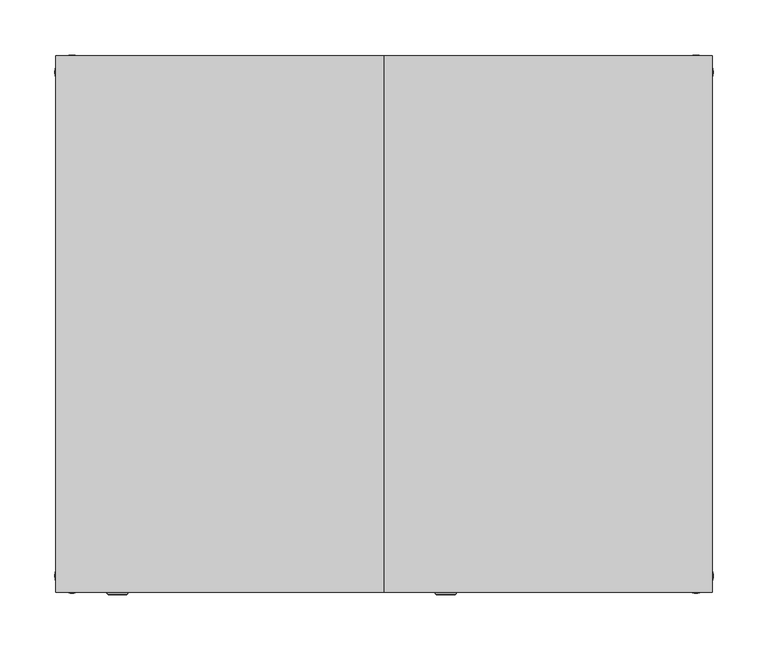
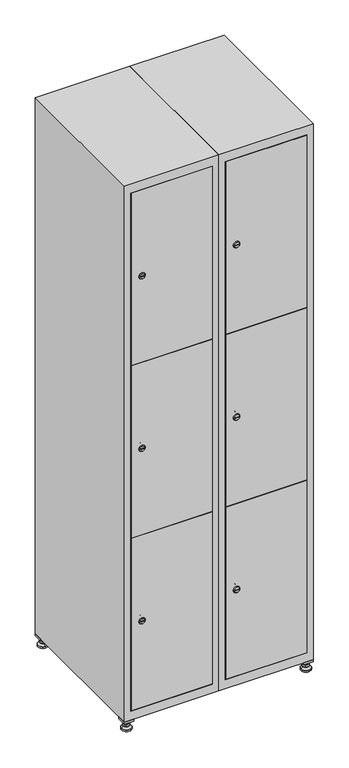
"""IFC4 building model written with IfcOpenShell, lengths in millimetres: furniture geometry."""

from ifc_helpers import new_model, si_unit, point, frame, frame_2d, origin, origin_with_axes, place, context, project, spatial, polyline, circle_curve, trimmed, segment, composite_curve, outline, extrude, faceted_brep, source, transform, mapped, element, save
from ifc_brep_helpers import plane_surface, revolved_surface, advanced_brep


def furniture_a26b1aab(model_context):
    return source(origin(), model_context, "Body", "SolidModel", [
        extrude(outline(polyline([(400.0, 245.0), (400.0, 215.0), (370.0, 215.0), (370.0, 245.0), (400.0, 245.0)]), holes=[polyline([(398.0, 243.0), (372.0, 243.0), (372.0, 217.0), (398.0, 217.0), (398.0, 243.0)])]), frame((0.0, 0.0, 28.5), z_axis=(0.0, 0.0, 1.0), x_axis=(1.0, 0.0, 0.0)), (0.0, 0.0, 1.0), 6.5),
        extrude(outline(polyline([(370.0, -245.0), (370.0, -215.0), (400.0, -215.0), (400.0, -245.0), (370.0, -245.0)]), holes=[polyline([(372.0, -243.0), (398.0, -243.0), (398.0, -217.0), (372.0, -217.0), (372.0, -243.0)])]), frame((0.0, 0.0, 28.5), z_axis=(0.0, 0.0, 1.0), x_axis=(1.0, 0.0, 0.0)), (0.0, 0.0, 1.0), 6.5),
        extrude(outline(polyline([(-170.0, 245.0), (-170.0, 215.0), (-200.0, 215.0), (-200.0, 245.0), (-170.0, 245.0)]), holes=[polyline([(-172.0, 243.0), (-198.0, 243.0), (-198.0, 217.0), (-172.0, 217.0), (-172.0, 243.0)])]), frame((0.0, 0.0, 28.5), z_axis=(0.0, 0.0, 1.0), x_axis=(1.0, 0.0, 0.0)), (0.0, 0.0, 1.0), 6.5),
        extrude(outline(polyline([(-170.0, -215.0), (-170.0, -245.0), (-200.0, -245.0), (-200.0, -215.0), (-170.0, -215.0)]), holes=[polyline([(-198.0, -243.0), (-172.0, -243.0), (-172.0, -217.0), (-198.0, -217.0), (-198.0, -243.0)])]), frame((0.0, 0.0, 28.5), z_axis=(0.0, 0.0, 1.0), x_axis=(1.0, 0.0, 0.0)), (0.0, 0.0, 1.0), 6.5),
        extrude(outline(composite_curve([segment(trimmed(circle_curve(frame_2d((-185.0, 230.0)), 5.0), [point((-180.0, 230.0))], [point((-190.0, 230.0))], False, "CARTESIAN"), True, "CONTINUOUS"), segment(trimmed(circle_curve(frame_2d((-185.0, 230.0)), 5.0), [point((-190.0, 230.0))], [point((-180.0, 230.0))], False, "CARTESIAN"), True, "CONTINUOUS")], self_intersect=False)), frame((0.0, 0.0, 19.6), z_axis=(0.0, 0.0, 1.0), x_axis=(1.0, 0.0, 0.0)), (0.0, 0.0, 1.0), 15.4),
        extrude(outline(composite_curve([segment(trimmed(circle_curve(frame_2d((-185.0, -230.0)), 5.0), [point((-180.0, -230.0))], [point((-190.0, -230.0))], False, "CARTESIAN"), True, "CONTINUOUS"), segment(trimmed(circle_curve(frame_2d((-185.0, -230.0)), 5.0), [point((-190.0, -230.0))], [point((-180.0, -230.0))], False, "CARTESIAN"), True, "CONTINUOUS")], self_intersect=False)), frame((0.0, 0.0, 19.6), z_axis=(0.0, 0.0, 1.0), x_axis=(1.0, 0.0, 0.0)), (0.0, 0.0, 1.0), 15.4),
        extrude(outline(composite_curve([segment(trimmed(circle_curve(frame_2d((385.0, 230.0)), 5.0), [point((390.0, 230.0))], [point((380.0, 230.0))], False, "CARTESIAN"), True, "CONTINUOUS"), segment(trimmed(circle_curve(frame_2d((385.0, 230.0)), 5.0), [point((380.0, 230.0))], [point((390.0, 230.0))], False, "CARTESIAN"), True, "CONTINUOUS")], self_intersect=False)), frame((0.0, 0.0, 19.6), z_axis=(0.0, 0.0, 1.0), x_axis=(1.0, 0.0, 0.0)), (0.0, 0.0, 1.0), 15.4),
        extrude(outline(polyline([(373.4529946, 230.0), (379.2264973, 240.0), (390.7735027, 240.0), (396.5470054, 230.0), (390.7735027, 220.0), (379.2264973, 220.0), (373.4529946, 230.0)])), frame((0.0, 0.0, 13.6), z_axis=(0.0, 0.0, 1.0), x_axis=(1.0, 0.0, 0.0)), (0.0, 0.0, 1.0), 6.0),
        extrude(outline(composite_curve([segment(trimmed(circle_curve(frame_2d((385.0, -230.0)), 5.0), [point((390.0, -230.0))], [point((380.0, -230.0))], False, "CARTESIAN"), True, "CONTINUOUS"), segment(trimmed(circle_curve(frame_2d((385.0, -230.0)), 5.0), [point((380.0, -230.0))], [point((390.0, -230.0))], False, "CARTESIAN"), True, "CONTINUOUS")], self_intersect=False)), frame((0.0, 0.0, 19.6), z_axis=(0.0, 0.0, 1.0), x_axis=(1.0, 0.0, 0.0)), (0.0, 0.0, 1.0), 15.4),
        extrude(outline(polyline([(373.4529946, -230.0), (379.2264973, -220.0), (390.7735027, -220.0), (396.5470054, -230.0), (390.7735027, -240.0), (379.2264973, -240.0), (373.4529946, -230.0)])), frame((0.0, 0.0, 13.6), z_axis=(0.0, 0.0, 1.0), x_axis=(1.0, 0.0, 0.0)), (0.0, 0.0, 1.0), 6.0),
        extrude(outline(composite_curve([segment(trimmed(circle_curve(frame_2d((385.0, 230.0)), 5.0), [point((390.0, 230.0))], [point((380.0, 230.0))], False, "CARTESIAN"), True, "CONTINUOUS"), segment(trimmed(circle_curve(frame_2d((385.0, 230.0)), 5.0), [point((380.0, 230.0))], [point((390.0, 230.0))], False, "CARTESIAN"), True, "CONTINUOUS")], self_intersect=False)), frame((0.0, 0.0, 12.1), z_axis=(0.0, 0.0, 1.0), x_axis=(1.0, 0.0, 0.0)), (0.0, 0.0, 1.0), 1.5),
        extrude(outline(composite_curve([segment(trimmed(circle_curve(frame_2d((385.0, -230.0)), 5.0), [point((390.0, -230.0))], [point((380.0, -230.0))], False, "CARTESIAN"), True, "CONTINUOUS"), segment(trimmed(circle_curve(frame_2d((385.0, -230.0)), 5.0), [point((380.0, -230.0))], [point((390.0, -230.0))], False, "CARTESIAN"), True, "CONTINUOUS")], self_intersect=False)), frame((0.0, 0.0, 12.1), z_axis=(0.0, 0.0, 1.0), x_axis=(1.0, 0.0, 0.0)), (0.0, 0.0, 1.0), 1.5),
        extrude(outline(polyline([(-196.5470054, 230.0), (-190.7735027, 240.0), (-179.2264973, 240.0), (-173.4529946, 230.0), (-179.2264973, 220.0), (-190.7735027, 220.0), (-196.5470054, 230.0)])), frame((0.0, 0.0, 13.6), z_axis=(0.0, 0.0, 1.0), x_axis=(1.0, 0.0, 0.0)), (0.0, 0.0, 1.0), 6.0),
        extrude(outline(polyline([(-196.5470054, -230.0), (-190.7735027, -220.0), (-179.2264973, -220.0), (-173.4529946, -230.0), (-179.2264973, -240.0), (-190.7735027, -240.0), (-196.5470054, -230.0)])), frame((0.0, 0.0, 13.6), z_axis=(0.0, 0.0, 1.0), x_axis=(1.0, 0.0, 0.0)), (0.0, 0.0, 1.0), 6.0),
        extrude(outline(composite_curve([segment(trimmed(circle_curve(frame_2d((-185.0, 230.0)), 5.0), [point((-185.0, 235.0))], [point((-185.0, 225.0))], False, "CARTESIAN"), True, "CONTINUOUS"), segment(trimmed(circle_curve(frame_2d((-185.0, 230.0)), 5.0), [point((-185.0, 225.0))], [point((-185.0, 235.0))], False, "CARTESIAN"), True, "CONTINUOUS")], self_intersect=False)), frame((0.0, 0.0, 12.1), z_axis=(0.0, 0.0, 1.0), x_axis=(1.0, 0.0, 0.0)), (0.0, 0.0, 1.0), 1.5),
        extrude(outline(composite_curve([segment(trimmed(circle_curve(frame_2d((-185.0, -230.0)), 5.0), [point((-180.0, -230.0))], [point((-190.0, -230.0))], False, "CARTESIAN"), True, "CONTINUOUS"), segment(trimmed(circle_curve(frame_2d((-185.0, -230.0)), 5.0), [point((-190.0, -230.0))], [point((-180.0, -230.0))], False, "CARTESIAN"), True, "CONTINUOUS")], self_intersect=False)), frame((0.0, 0.0, 12.1), z_axis=(0.0, 0.0, 1.0), x_axis=(1.0, 0.0, 0.0)), (0.0, 0.0, 1.0), 1.5),
        extrude(outline(composite_curve([segment(trimmed(circle_curve(frame_2d((385.0, 230.0)), 15.75), [point((400.75, 230.0))], [point((369.25, 230.0))], False, "CARTESIAN"), True, "CONTINUOUS"), segment(trimmed(circle_curve(frame_2d((385.0, 230.0)), 15.75), [point((369.25, 230.0))], [point((400.75, 230.0))], False, "CARTESIAN"), True, "CONTINUOUS")], self_intersect=False)), origin_with_axes(), (0.0, 0.0, 1.0), 5.1),
        extrude(outline(composite_curve([segment(trimmed(circle_curve(frame_2d((385.0, -230.0)), 15.75), [point((385.0, -214.25))], [point((385.0, -245.75))], False, "CARTESIAN"), True, "CONTINUOUS"), segment(trimmed(circle_curve(frame_2d((385.0, -230.0)), 15.75), [point((385.0, -245.75))], [point((385.0, -214.25))], False, "CARTESIAN"), True, "CONTINUOUS")], self_intersect=False)), origin_with_axes(), (0.0, 0.0, 1.0), 5.1),
        extrude(outline(composite_curve([segment(trimmed(circle_curve(frame_2d((-185.0, -230.0)), 15.75), [point((-169.25, -230.0))], [point((-200.75, -230.0))], False, "CARTESIAN"), True, "CONTINUOUS"), segment(trimmed(circle_curve(frame_2d((-185.0, -230.0)), 15.75), [point((-200.75, -230.0))], [point((-169.25, -230.0))], False, "CARTESIAN"), True, "CONTINUOUS")], self_intersect=False)), origin_with_axes(), (0.0, 0.0, 1.0), 5.1),
        extrude(outline(composite_curve([segment(trimmed(circle_curve(frame_2d((-185.0, 230.0)), 15.75), [point((-169.25, 230.0))], [point((-200.75, 230.0))], False, "CARTESIAN"), True, "CONTINUOUS"), segment(trimmed(circle_curve(frame_2d((-185.0, 230.0)), 15.75), [point((-200.75, 230.0))], [point((-169.25, 230.0))], False, "CARTESIAN"), True, "CONTINUOUS")], self_intersect=False)), origin_with_axes(), (0.0, 0.0, 1.0), 5.1),
        advanced_brep(
        [(-185.0, 245.75, 5.1), (-185.0, 214.25, 5.1), (-185.0, 239.5, 12.1), (-185.0, 220.5, 12.1)],
        [
            (0, 1, circle_curve(frame((-185.0, 230.0, 5.1), z_axis=(0.0, 0.0, -1.0), x_axis=(0.0, 1.0, 0.0)), 15.75)),
            (1, 0, circle_curve(frame((-185.0, 230.0, 5.1), z_axis=(0.0, 0.0, -1.0), x_axis=(0.0, -1.0, 0.0)), 15.75)),
            (2, 3, circle_curve(frame((-185.0, 230.0, 12.1), z_axis=(0.0, 0.0, 1.0), x_axis=(0.0, -1.0, 0.0)), 9.5)),
            (3, 2, circle_curve(frame((-185.0, 230.0, 12.1), z_axis=(0.0, 0.0, 1.0), x_axis=(0.0, 1.0, 0.0)), 9.5)),
            (3, 1),
            (0, 2),
        ],
        [
            plane_surface(frame((-185.0, 230.0, 5.1), z_axis=(0.0, 0.0, -1.0), x_axis=(1.0, 0.0, 0.0))),
            plane_surface(frame((-185.0, 230.0, 12.1), z_axis=(0.0, 0.0, 1.0), x_axis=(1.0, 0.0, 0.0))),
            revolved_surface(polyline([(-185.0, 220.5, 12.099999999999998), (-185.0, 214.25, 5.099999999999998)]), (-185.0, 230.0, 22.74), (0.0, 0.0, -1.0)),
            revolved_surface(polyline([(-185.0, 239.5, 12.099999999999998), (-185.0, 245.75, 5.099999999999998)]), (-185.0, 230.0, 22.74), (0.0, 0.0, -1.0)),
        ],
        [
            (0, [[1, 2]]),
            (1, [[3, 4]]),
            (2, [[-4, 5, -1, 6]]),
            (3, [[-3, -6, -2, -5]]),
        ],
    ),
        advanced_brep(
        [(385.0, 245.75, 5.1), (385.0, 214.25, 5.1), (385.0, 239.5, 12.1), (385.0, 220.5, 12.1)],
        [
            (0, 1, circle_curve(frame((385.0, 230.0, 5.1), z_axis=(0.0, 0.0, -1.0), x_axis=(0.0, 1.0, 0.0)), 15.75)),
            (1, 0, circle_curve(frame((385.0, 230.0, 5.1), z_axis=(0.0, 0.0, -1.0), x_axis=(0.0, -1.0, 0.0)), 15.75)),
            (2, 3, circle_curve(frame((385.0, 230.0, 12.1), z_axis=(0.0, 0.0, 1.0), x_axis=(0.0, -1.0, 0.0)), 9.5)),
            (3, 2, circle_curve(frame((385.0, 230.0, 12.1), z_axis=(0.0, 0.0, 1.0), x_axis=(0.0, 1.0, 0.0)), 9.5)),
            (3, 1),
            (0, 2),
        ],
        [
            plane_surface(frame((385.0, 230.0, 5.1), z_axis=(0.0, 0.0, -1.0), x_axis=(1.0, 0.0, 0.0))),
            plane_surface(frame((385.0, 230.0, 12.1), z_axis=(0.0, 0.0, 1.0), x_axis=(1.0, 0.0, 0.0))),
            revolved_surface(polyline([(385.0, 220.5, 12.099999999999998), (385.0, 214.25, 5.099999999999998)]), (385.0, 230.0, 22.74), (0.0, 0.0, -1.0)),
            revolved_surface(polyline([(385.0, 239.5, 12.099999999999998), (385.0, 245.75, 5.099999999999998)]), (385.0, 230.0, 22.74), (0.0, 0.0, -1.0)),
        ],
        [
            (0, [[1, 2]]),
            (1, [[3, 4]]),
            (2, [[-4, 5, -1, 6]]),
            (3, [[-3, -6, -2, -5]]),
        ],
    ),
        advanced_brep(
        [(394.5, -230.0, 12.1), (375.5, -230.0, 12.1), (400.75, -230.0, 5.1), (369.25, -230.0, 5.1)],
        [
            (0, 1, circle_curve(frame((385.0, -230.0, 12.1), z_axis=(0.0, 0.0, 1.0), x_axis=(1.0, 0.0, 0.0)), 9.5)),
            (1, 0, circle_curve(frame((385.0, -230.0, 12.1), z_axis=(0.0, 0.0, 1.0), x_axis=(-1.0, 0.0, 0.0)), 9.5)),
            (2, 3, circle_curve(frame((385.0, -230.0, 5.1), z_axis=(0.0, 0.0, -1.0), x_axis=(-1.0, 0.0, 0.0)), 15.75)),
            (3, 2, circle_curve(frame((385.0, -230.0, 5.1), z_axis=(0.0, 0.0, -1.0), x_axis=(1.0, 0.0, 0.0)), 15.75)),
            (3, 1),
            (0, 2),
        ],
        [
            plane_surface(frame((385.0, -230.0, 12.1), z_axis=(0.0, 0.0, 1.0), x_axis=(0.0, 1.0, 0.0))),
            plane_surface(frame((385.0, -230.0, 5.1), z_axis=(0.0, 0.0, -1.0), x_axis=(0.0, 1.0, 0.0))),
            revolved_surface(polyline([(394.5, -230.0, 12.099999999999998), (400.75, -230.0, 5.099999999999998)]), (385.0, -230.0, 22.74), (0.0, 0.0, -1.0)),
            revolved_surface(polyline([(375.5, -230.0, 12.099999999999998), (369.25, -230.0, 5.099999999999998)]), (385.0, -230.0, 22.74), (0.0, 0.0, -1.0)),
        ],
        [
            (0, [[1, 2]]),
            (1, [[3, 4]]),
            (2, [[-4, 5, -1, 6]]),
            (3, [[-3, -6, -2, -5]]),
        ],
    ),
        advanced_brep(
        [(-175.5, -230.0, 12.1), (-194.5, -230.0, 12.1), (-169.25, -230.0, 5.1), (-200.75, -230.0, 5.1)],
        [
            (0, 1, circle_curve(frame((-185.0, -230.0, 12.1), z_axis=(0.0, 0.0, 1.0), x_axis=(1.0, 0.0, 0.0)), 9.5)),
            (1, 0, circle_curve(frame((-185.0, -230.0, 12.1), z_axis=(0.0, 0.0, 1.0), x_axis=(-1.0, 0.0, 0.0)), 9.5)),
            (2, 3, circle_curve(frame((-185.0, -230.0, 5.1), z_axis=(0.0, 0.0, -1.0), x_axis=(-1.0, 0.0, 0.0)), 15.75)),
            (3, 2, circle_curve(frame((-185.0, -230.0, 5.1), z_axis=(0.0, 0.0, -1.0), x_axis=(1.0, 0.0, 0.0)), 15.75)),
            (3, 1),
            (0, 2),
        ],
        [
            plane_surface(frame((-185.0, -230.0, 12.1), z_axis=(0.0, 0.0, 1.0), x_axis=(0.0, 1.0, 0.0))),
            plane_surface(frame((-185.0, -230.0, 5.1), z_axis=(0.0, 0.0, -1.0), x_axis=(0.0, 1.0, 0.0))),
            revolved_surface(polyline([(-175.5, -230.0, 12.099999999999998), (-169.25, -230.0, 5.099999999999998)]), (-185.0, -230.0, 22.74), (0.0, 0.0, -1.0)),
            revolved_surface(polyline([(-194.5, -230.0, 12.099999999999998), (-200.75, -230.0, 5.099999999999998)]), (-185.0, -230.0, 22.74), (0.0, 0.0, -1.0)),
        ],
        [
            (0, [[1, 2]]),
            (1, [[3, 4]]),
            (2, [[-4, 5, -1, 6]]),
            (3, [[-3, -6, -2, -5]]),
        ],
    ),
        extrude(outline(composite_curve([segment(trimmed(circle_curve(frame_2d((355.8, 129.6010534)), 7.0), [point((362.8, 129.6010534))], [point((348.8, 129.6010534))], False, "CARTESIAN"), True, "CONTINUOUS"), segment(polyline([(348.8, 129.6010534), (348.8, 157.6010534)]), True, "CONTINUOUS"), segment(trimmed(circle_curve(frame_2d((355.8, 157.6010534)), 7.0), [point((348.8, 157.6010534))], [point((362.8, 157.6010534))], False, "CARTESIAN"), True, "CONTINUOUS"), segment(polyline([(362.8, 157.6010534), (362.8, 129.6010534)]), True, "CONTINUOUS")], self_intersect=False)), frame((0.0, -227.0, 0.0), z_axis=(0.0, 1.0, 0.0), x_axis=(0.0, 0.0, 1.0)), (0.0, 0.0, 1.0), 2.0),
        advanced_brep(
        [(164.9, -247.2, 355.8), (147.9, -247.2, 355.8), (151.4, -247.2, 354.55), (151.4, -247.2, 357.05), (161.4, -247.2, 357.05), (161.4, -247.2, 354.55), (166.9, -245.0, 355.8), (145.9, -245.0, 355.8), (151.4, -245.0, 357.05), (151.4, -245.0, 354.55), (161.4, -245.0, 354.55), (161.4, -245.0, 357.05)],
        [
            (0, 1, circle_curve(frame((156.4, -247.2, 355.8), z_axis=(0.0, -1.0, 0.0), x_axis=(1.0, 0.0, 0.0)), 8.5)),
            (1, 0, circle_curve(frame((156.4, -247.2, 355.8), z_axis=(0.0, -1.0, 0.0), x_axis=(-1.0, 0.0, 0.0)), 8.5)),
            (2, 3),
            (3, 4),
            (4, 5),
            (5, 2),
            (6, 7, circle_curve(frame((156.4, -245.0, 355.8), z_axis=(0.0, 1.0, 0.0), x_axis=(-1.0, 0.0, 0.0)), 10.5)),
            (7, 6, circle_curve(frame((156.4, -245.0, 355.8), z_axis=(0.0, 1.0, 0.0), x_axis=(1.0, 0.0, 0.0)), 10.5)),
            (8, 9),
            (9, 10),
            (10, 11),
            (11, 8),
            (0, 6),
            (7, 1),
            (8, 3),
            (2, 9),
            (11, 4),
            (10, 5),
        ],
        [
            plane_surface(frame((156.4, -247.2, 355.8), z_axis=(0.0, -1.0, 0.0), x_axis=(0.0, 0.0, 1.0))),
            plane_surface(frame((156.4, -245.0, 355.8), z_axis=(0.0, 1.0, 0.0), x_axis=(0.0, 0.0, 1.0))),
            revolved_surface(polyline([(164.9, -247.2, 355.8), (166.9, -245.0, 355.8)]), (156.4, -256.55, 355.8), (0.0, 1.0, 0.0)),
            revolved_surface(polyline([(147.9, -247.2, 355.8), (145.9, -245.0, 355.8)]), (156.4, -256.55, 355.8), (0.0, 1.0, 0.0)),
            plane_surface(frame((151.4, -245.0, 354.55), z_axis=(1.0, 0.0, 0.0), x_axis=(0.0, -1.0, 0.0))),
            plane_surface(frame((151.4, -245.0, 357.05), z_axis=(0.0, 0.0, -1.0), x_axis=(0.0, -1.0, 0.0))),
            plane_surface(frame((161.4, -245.0, 357.05), z_axis=(-1.0, 0.0, 0.0), x_axis=(0.0, -1.0, 0.0))),
            plane_surface(frame((161.4, -245.0, 354.55), z_axis=(0.0, 0.0, 1.0), x_axis=(0.0, -1.0, 0.0))),
        ],
        [
            (0, [[1, 2], [3, 4, 5, 6]]),
            (1, [[7, 8], [9, 10, 11, 12]]),
            (2, [[-1, 13, -8, 14]]),
            (3, [[-2, -14, -7, -13]]),
            (4, [[15, -3, 16, -9]]),
            (5, [[-15, -12, 17, -4]]),
            (6, [[-17, -11, 18, -5]]),
            (7, [[-16, -6, -18, -10]]),
        ],
    ),
        extrude(outline(composite_curve([segment(trimmed(circle_curve(frame_2d((935.0, 129.6010534)), 7.0), [point((942.0, 129.6010534))], [point((928.0, 129.6010534))], False, "CARTESIAN"), True, "CONTINUOUS"), segment(polyline([(928.0, 129.6010534), (928.0, 157.6010534)]), True, "CONTINUOUS"), segment(trimmed(circle_curve(frame_2d((935.0, 157.6010534)), 7.0), [point((928.0, 157.6010534))], [point((942.0, 157.6010534))], False, "CARTESIAN"), True, "CONTINUOUS"), segment(polyline([(942.0, 157.6010534), (942.0, 129.6010534)]), True, "CONTINUOUS")], self_intersect=False)), frame((0.0, -227.0, 0.0), z_axis=(0.0, 1.0, 0.0), x_axis=(0.0, 0.0, 1.0)), (0.0, 0.0, 1.0), 2.0),
        advanced_brep(
        [(164.9, -247.2, 935.0), (147.9, -247.2, 935.0), (151.4, -247.2, 933.75), (151.4, -247.2, 936.25), (161.4, -247.2, 936.25), (161.4, -247.2, 933.75), (166.9, -245.0, 935.0), (145.9, -245.0, 935.0), (151.4, -245.0, 936.25), (151.4, -245.0, 933.75), (161.4, -245.0, 933.75), (161.4, -245.0, 936.25)],
        [
            (0, 1, circle_curve(frame((156.4, -247.2, 935.0), z_axis=(0.0, -1.0, 0.0), x_axis=(1.0, 0.0, 0.0)), 8.5)),
            (1, 0, circle_curve(frame((156.4, -247.2, 935.0), z_axis=(0.0, -1.0, 0.0), x_axis=(-1.0, 0.0, 0.0)), 8.5)),
            (2, 3),
            (3, 4),
            (4, 5),
            (5, 2),
            (6, 7, circle_curve(frame((156.4, -245.0, 935.0), z_axis=(0.0, 1.0, 0.0), x_axis=(-1.0, 0.0, 0.0)), 10.5)),
            (7, 6, circle_curve(frame((156.4, -245.0, 935.0), z_axis=(0.0, 1.0, 0.0), x_axis=(1.0, 0.0, 0.0)), 10.5)),
            (8, 9),
            (9, 10),
            (10, 11),
            (11, 8),
            (0, 6),
            (7, 1),
            (8, 3),
            (2, 9),
            (11, 4),
            (10, 5),
        ],
        [
            plane_surface(frame((156.4, -247.2, 935.0), z_axis=(0.0, -1.0, 0.0), x_axis=(0.0, 0.0, 1.0))),
            plane_surface(frame((156.4, -245.0, 935.0), z_axis=(0.0, 1.0, 0.0), x_axis=(0.0, 0.0, 1.0))),
            revolved_surface(polyline([(164.9, -247.2, 935.0), (166.9, -245.0, 935.0)]), (156.4, -256.55, 935.0), (0.0, 1.0, 0.0)),
            revolved_surface(polyline([(147.9, -247.2, 935.0), (145.9, -245.0, 935.0)]), (156.4, -256.55, 935.0), (0.0, 1.0, 0.0)),
            plane_surface(frame((151.4, -245.0, 933.75), z_axis=(1.0, 0.0, 0.0), x_axis=(0.0, -1.0, 0.0))),
            plane_surface(frame((151.4, -245.0, 936.25), z_axis=(0.0, 0.0, -1.0), x_axis=(0.0, -1.0, 0.0))),
            plane_surface(frame((161.4, -245.0, 936.25), z_axis=(-1.0, 0.0, 0.0), x_axis=(0.0, -1.0, 0.0))),
            plane_surface(frame((161.4, -245.0, 933.75), z_axis=(0.0, 0.0, 1.0), x_axis=(0.0, -1.0, 0.0))),
        ],
        [
            (0, [[1, 2], [3, 4, 5, 6]]),
            (1, [[7, 8], [9, 10, 11, 12]]),
            (2, [[-1, 13, -8, 14]]),
            (3, [[-2, -14, -7, -13]]),
            (4, [[15, -3, 16, -9]]),
            (5, [[-15, -12, 17, -4]]),
            (6, [[-17, -11, 18, -5]]),
            (7, [[-16, -6, -18, -10]]),
        ],
    ),
        extrude(outline(composite_curve([segment(trimmed(circle_curve(frame_2d((1514.2, 129.6010534)), 7.0), [point((1521.2, 129.6010534))], [point((1507.2, 129.6010534))], False, "CARTESIAN"), True, "CONTINUOUS"), segment(polyline([(1507.2, 129.6010534), (1507.2, 157.6010534)]), True, "CONTINUOUS"), segment(trimmed(circle_curve(frame_2d((1514.2, 157.6010534)), 7.0), [point((1507.2, 157.6010534))], [point((1521.2, 157.6010534))], False, "CARTESIAN"), True, "CONTINUOUS"), segment(polyline([(1521.2, 157.6010534), (1521.2, 129.6010534)]), True, "CONTINUOUS")], self_intersect=False)), frame((0.0, -227.0, 0.0), z_axis=(0.0, 1.0, 0.0), x_axis=(0.0, 0.0, 1.0)), (0.0, 0.0, 1.0), 2.0),
        advanced_brep(
        [(164.9, -247.2, 1514.2), (147.9, -247.2, 1514.2), (151.4, -247.2, 1512.95), (151.4, -247.2, 1515.45), (161.4, -247.2, 1515.45), (161.4, -247.2, 1512.95), (166.9, -245.0, 1514.2), (145.9, -245.0, 1514.2), (151.4, -245.0, 1515.45), (151.4, -245.0, 1512.95), (161.4, -245.0, 1512.95), (161.4, -245.0, 1515.45)],
        [
            (0, 1, circle_curve(frame((156.4, -247.2, 1514.2), z_axis=(0.0, -1.0, 0.0), x_axis=(1.0, 0.0, 0.0)), 8.5)),
            (1, 0, circle_curve(frame((156.4, -247.2, 1514.2), z_axis=(0.0, -1.0, 0.0), x_axis=(-1.0, 0.0, 0.0)), 8.5)),
            (2, 3),
            (3, 4),
            (4, 5),
            (5, 2),
            (6, 7, circle_curve(frame((156.4, -245.0, 1514.2), z_axis=(0.0, 1.0, 0.0), x_axis=(-1.0, 0.0, 0.0)), 10.5)),
            (7, 6, circle_curve(frame((156.4, -245.0, 1514.2), z_axis=(0.0, 1.0, 0.0), x_axis=(1.0, 0.0, 0.0)), 10.5)),
            (8, 9),
            (9, 10),
            (10, 11),
            (11, 8),
            (0, 6),
            (7, 1),
            (8, 3),
            (2, 9),
            (11, 4),
            (10, 5),
        ],
        [
            plane_surface(frame((156.4, -247.2, 1514.2), z_axis=(0.0, -1.0, 0.0), x_axis=(0.0, 0.0, 1.0))),
            plane_surface(frame((156.4, -245.0, 1514.2), z_axis=(0.0, 1.0, 0.0), x_axis=(0.0, 0.0, 1.0))),
            revolved_surface(polyline([(164.9, -247.2, 1514.2), (166.9, -245.0, 1514.2)]), (156.4, -256.55, 1514.2), (0.0, 1.0, 0.0)),
            revolved_surface(polyline([(147.9, -247.2, 1514.2), (145.9, -245.0, 1514.2)]), (156.4, -256.55, 1514.2), (0.0, 1.0, 0.0)),
            plane_surface(frame((151.4, -245.0, 1512.95), z_axis=(1.0, 0.0, 0.0), x_axis=(0.0, -1.0, 0.0))),
            plane_surface(frame((151.4, -245.0, 1515.45), z_axis=(0.0, 0.0, -1.0), x_axis=(0.0, -1.0, 0.0))),
            plane_surface(frame((161.4, -245.0, 1515.45), z_axis=(-1.0, 0.0, 0.0), x_axis=(0.0, -1.0, 0.0))),
            plane_surface(frame((161.4, -245.0, 1512.95), z_axis=(0.0, 0.0, 1.0), x_axis=(0.0, -1.0, 0.0))),
        ],
        [
            (0, [[1, 2], [3, 4, 5, 6]]),
            (1, [[7, 8], [9, 10, 11, 12]]),
            (2, [[-1, 13, -8, 14]]),
            (3, [[-2, -14, -7, -13]]),
            (4, [[15, -3, 16, -9]]),
            (5, [[-15, -12, 17, -4]]),
            (6, [[-17, -11, 18, -5]]),
            (7, [[-16, -6, -18, -10]]),
        ],
    ),
        extrude(outline(polyline([(378.6, -227.0), (378.6, -245.0), (121.4, -245.0), (121.4, -227.0), (378.6, -227.0)])), frame((0.0, 0.0, 645.9), z_axis=(0.0, 0.0, 1.0), x_axis=(1.0, 0.0, 0.0)), (0.0, 0.0, 1.0), 578.2),
        extrude(outline(polyline([(121.4, -245.0), (121.4, -227.0), (378.6, -227.0), (378.6, -245.0), (121.4, -245.0)])), frame((0.0, 0.0, 1225.1), z_axis=(0.0, 0.0, 1.0), x_axis=(1.0, 0.0, 0.0)), (0.0, 0.0, 1.0), 578.7),
        extrude(outline(polyline([(378.6, -227.0), (378.6, -245.0), (121.4, -245.0), (121.4, -227.0), (378.6, -227.0)])), frame((0.0, 0.0, 66.2), z_axis=(0.0, 0.0, 1.0), x_axis=(1.0, 0.0, 0.0)), (0.0, 0.0, 1.0), 578.7),
        extrude(outline(polyline([(379.6, 242.0), (379.6, -227.0), (120.4, -227.0), (120.4, 242.0), (379.6, 242.0)])), frame((0.0, 0.0, 1214.7333333), z_axis=(0.0, 0.0, 1.0), x_axis=(1.0, 0.0, 0.0)), (0.0, 0.0, 1.0), 20.4),
        extrude(outline(polyline([(120.4, 242.0), (379.6, 242.0), (379.6, -227.0), (120.4, -227.0), (120.4, 242.0)])), frame((0.0, 0.0, 634.8666667), z_axis=(0.0, 0.0, 1.0), x_axis=(1.0, 0.0, 0.0)), (0.0, 0.0, 1.0), 20.4),
        faceted_brep([(400.0, -245.0, 35.0), (400.0, -245.0, 1835.0), (100.0, -245.0, 1835.0), (100.0, -245.0, 35.0), (379.6, -245.0, 1804.8), (379.6, -245.0, 65.2), (120.4, -245.0, 65.2), (120.4, -245.0, 1804.8), (400.0, 245.0, 35.0), (100.0, 245.0, 35.0), (400.0, 245.0, 1835.0), (100.0, 245.0, 1835.0), (379.6, 242.0, 1804.8), (379.6, 242.0, 65.2), (100.0, 245.0, 1804.8), (120.4, 242.0, 1804.8), (120.4, 242.0, 65.2)], [[[0, 1, 2, 3], [4, 5, 6, 7]], [[8, 0, 3, 9]], [[1, 0, 8, 10]], [[1, 10, 11, 2]], [[4, 12, 13, 5]], [[9, 3, 2, 11, 14]], [[10, 8, 9, 14, 11]], [[12, 15, 16, 13]], [[15, 7, 6, 16]], [[4, 7, 15, 12]], [[6, 5, 13, 16]]]),
        extrude(outline(composite_curve([segment(trimmed(circle_curve(frame_2d((355.8, -170.3989466)), 7.0), [point((362.8, -170.3989466))], [point((348.8, -170.3989466))], False, "CARTESIAN"), True, "CONTINUOUS"), segment(polyline([(348.8, -170.3989466), (348.8, -142.3989466)]), True, "CONTINUOUS"), segment(trimmed(circle_curve(frame_2d((355.8, -142.3989466)), 7.0), [point((348.8, -142.3989466))], [point((362.8, -142.3989466))], False, "CARTESIAN"), True, "CONTINUOUS"), segment(polyline([(362.8, -142.3989466), (362.8, -170.3989466)]), True, "CONTINUOUS")], self_intersect=False)), frame((0.0, -227.0, 0.0), z_axis=(0.0, 1.0, 0.0), x_axis=(0.0, 0.0, 1.0)), (0.0, 0.0, 1.0), 2.0),
        advanced_brep(
        [(-135.1, -247.2, 355.8), (-152.1, -247.2, 355.8), (-148.6, -247.2, 354.55), (-148.6, -247.2, 357.05), (-138.6, -247.2, 357.05), (-138.6, -247.2, 354.55), (-133.1, -245.0, 355.8), (-154.1, -245.0, 355.8), (-148.6, -245.0, 357.05), (-148.6, -245.0, 354.55), (-138.6, -245.0, 354.55), (-138.6, -245.0, 357.05)],
        [
            (0, 1, circle_curve(frame((-143.6, -247.2, 355.8), z_axis=(0.0, -1.0, 0.0), x_axis=(1.0, 0.0, 0.0)), 8.5)),
            (1, 0, circle_curve(frame((-143.6, -247.2, 355.8), z_axis=(0.0, -1.0, 0.0), x_axis=(-1.0, 0.0, 0.0)), 8.5)),
            (2, 3),
            (3, 4),
            (4, 5),
            (5, 2),
            (6, 7, circle_curve(frame((-143.6, -245.0, 355.8), z_axis=(0.0, 1.0, 0.0), x_axis=(-1.0, 0.0, 0.0)), 10.5)),
            (7, 6, circle_curve(frame((-143.6, -245.0, 355.8), z_axis=(0.0, 1.0, 0.0), x_axis=(1.0, 0.0, 0.0)), 10.5)),
            (8, 9),
            (9, 10),
            (10, 11),
            (11, 8),
            (0, 6),
            (7, 1),
            (8, 3),
            (2, 9),
            (11, 4),
            (10, 5),
        ],
        [
            plane_surface(frame((-143.6, -247.2, 355.8), z_axis=(0.0, -1.0, 0.0), x_axis=(0.0, 0.0, 1.0))),
            plane_surface(frame((-143.6, -245.0, 355.8), z_axis=(0.0, 1.0, 0.0), x_axis=(0.0, 0.0, 1.0))),
            revolved_surface(polyline([(-135.1, -247.2, 355.8), (-133.1, -245.0, 355.8)]), (-143.6, -256.55, 355.8), (0.0, 1.0, 0.0)),
            revolved_surface(polyline([(-152.1, -247.2, 355.8), (-154.1, -245.0, 355.8)]), (-143.6, -256.55, 355.8), (0.0, 1.0, 0.0)),
            plane_surface(frame((-148.6, -245.0, 354.55), z_axis=(1.0, 0.0, 0.0), x_axis=(0.0, -1.0, 0.0))),
            plane_surface(frame((-148.6, -245.0, 357.05), z_axis=(0.0, 0.0, -1.0), x_axis=(0.0, -1.0, 0.0))),
            plane_surface(frame((-138.6, -245.0, 357.05), z_axis=(-1.0, 0.0, 0.0), x_axis=(0.0, -1.0, 0.0))),
            plane_surface(frame((-138.6, -245.0, 354.55), z_axis=(0.0, 0.0, 1.0), x_axis=(0.0, -1.0, 0.0))),
        ],
        [
            (0, [[1, 2], [3, 4, 5, 6]]),
            (1, [[7, 8], [9, 10, 11, 12]]),
            (2, [[-1, 13, -8, 14]]),
            (3, [[-2, -14, -7, -13]]),
            (4, [[15, -3, 16, -9]]),
            (5, [[-15, -12, 17, -4]]),
            (6, [[-17, -11, 18, -5]]),
            (7, [[-16, -6, -18, -10]]),
        ],
    ),
        extrude(outline(composite_curve([segment(trimmed(circle_curve(frame_2d((935.0, -170.3989466)), 7.0), [point((942.0, -170.3989466))], [point((928.0, -170.3989466))], False, "CARTESIAN"), True, "CONTINUOUS"), segment(polyline([(928.0, -170.3989466), (928.0, -142.3989466)]), True, "CONTINUOUS"), segment(trimmed(circle_curve(frame_2d((935.0, -142.3989466)), 7.0), [point((928.0, -142.3989466))], [point((942.0, -142.3989466))], False, "CARTESIAN"), True, "CONTINUOUS"), segment(polyline([(942.0, -142.3989466), (942.0, -170.3989466)]), True, "CONTINUOUS")], self_intersect=False)), frame((0.0, -227.0, 0.0), z_axis=(0.0, 1.0, 0.0), x_axis=(0.0, 0.0, 1.0)), (0.0, 0.0, 1.0), 2.0),
        advanced_brep(
        [(-135.1, -247.2, 935.0), (-152.1, -247.2, 935.0), (-148.6, -247.2, 933.75), (-148.6, -247.2, 936.25), (-138.6, -247.2, 936.25), (-138.6, -247.2, 933.75), (-133.1, -245.0, 935.0), (-154.1, -245.0, 935.0), (-148.6, -245.0, 936.25), (-148.6, -245.0, 933.75), (-138.6, -245.0, 933.75), (-138.6, -245.0, 936.25)],
        [
            (0, 1, circle_curve(frame((-143.6, -247.2, 935.0), z_axis=(0.0, -1.0, 0.0), x_axis=(1.0, 0.0, 0.0)), 8.5)),
            (1, 0, circle_curve(frame((-143.6, -247.2, 935.0), z_axis=(0.0, -1.0, 0.0), x_axis=(-1.0, 0.0, 0.0)), 8.5)),
            (2, 3),
            (3, 4),
            (4, 5),
            (5, 2),
            (6, 7, circle_curve(frame((-143.6, -245.0, 935.0), z_axis=(0.0, 1.0, 0.0), x_axis=(-1.0, 0.0, 0.0)), 10.5)),
            (7, 6, circle_curve(frame((-143.6, -245.0, 935.0), z_axis=(0.0, 1.0, 0.0), x_axis=(1.0, 0.0, 0.0)), 10.5)),
            (8, 9),
            (9, 10),
            (10, 11),
            (11, 8),
            (0, 6),
            (7, 1),
            (8, 3),
            (2, 9),
            (11, 4),
            (10, 5),
        ],
        [
            plane_surface(frame((-143.6, -247.2, 935.0), z_axis=(0.0, -1.0, 0.0), x_axis=(0.0, 0.0, 1.0))),
            plane_surface(frame((-143.6, -245.0, 935.0), z_axis=(0.0, 1.0, 0.0), x_axis=(0.0, 0.0, 1.0))),
            revolved_surface(polyline([(-135.1, -247.2, 935.0), (-133.1, -245.0, 935.0)]), (-143.6, -256.55, 935.0), (0.0, 1.0, 0.0)),
            revolved_surface(polyline([(-152.1, -247.2, 935.0), (-154.1, -245.0, 935.0)]), (-143.6, -256.55, 935.0), (0.0, 1.0, 0.0)),
            plane_surface(frame((-148.6, -245.0, 933.75), z_axis=(1.0, 0.0, 0.0), x_axis=(0.0, -1.0, 0.0))),
            plane_surface(frame((-148.6, -245.0, 936.25), z_axis=(0.0, 0.0, -1.0), x_axis=(0.0, -1.0, 0.0))),
            plane_surface(frame((-138.6, -245.0, 936.25), z_axis=(-1.0, 0.0, 0.0), x_axis=(0.0, -1.0, 0.0))),
            plane_surface(frame((-138.6, -245.0, 933.75), z_axis=(0.0, 0.0, 1.0), x_axis=(0.0, -1.0, 0.0))),
        ],
        [
            (0, [[1, 2], [3, 4, 5, 6]]),
            (1, [[7, 8], [9, 10, 11, 12]]),
            (2, [[-1, 13, -8, 14]]),
            (3, [[-2, -14, -7, -13]]),
            (4, [[15, -3, 16, -9]]),
            (5, [[-15, -12, 17, -4]]),
            (6, [[-17, -11, 18, -5]]),
            (7, [[-16, -6, -18, -10]]),
        ],
    ),
        extrude(outline(composite_curve([segment(trimmed(circle_curve(frame_2d((1514.2, -170.3989466)), 7.0), [point((1521.2, -170.3989466))], [point((1507.2, -170.3989466))], False, "CARTESIAN"), True, "CONTINUOUS"), segment(polyline([(1507.2, -170.3989466), (1507.2, -142.3989466)]), True, "CONTINUOUS"), segment(trimmed(circle_curve(frame_2d((1514.2, -142.3989466)), 7.0), [point((1507.2, -142.3989466))], [point((1521.2, -142.3989466))], False, "CARTESIAN"), True, "CONTINUOUS"), segment(polyline([(1521.2, -142.3989466), (1521.2, -170.3989466)]), True, "CONTINUOUS")], self_intersect=False)), frame((0.0, -227.0, 0.0), z_axis=(0.0, 1.0, 0.0), x_axis=(0.0, 0.0, 1.0)), (0.0, 0.0, 1.0), 2.0),
        advanced_brep(
        [(-135.1, -247.2, 1514.2), (-152.1, -247.2, 1514.2), (-148.6, -247.2, 1512.95), (-148.6, -247.2, 1515.45), (-138.6, -247.2, 1515.45), (-138.6, -247.2, 1512.95), (-133.1, -245.0, 1514.2), (-154.1, -245.0, 1514.2), (-148.6, -245.0, 1515.45), (-148.6, -245.0, 1512.95), (-138.6, -245.0, 1512.95), (-138.6, -245.0, 1515.45)],
        [
            (0, 1, circle_curve(frame((-143.6, -247.2, 1514.2), z_axis=(0.0, -1.0, 0.0), x_axis=(1.0, 0.0, 0.0)), 8.5)),
            (1, 0, circle_curve(frame((-143.6, -247.2, 1514.2), z_axis=(0.0, -1.0, 0.0), x_axis=(-1.0, 0.0, 0.0)), 8.5)),
            (2, 3),
            (3, 4),
            (4, 5),
            (5, 2),
            (6, 7, circle_curve(frame((-143.6, -245.0, 1514.2), z_axis=(0.0, 1.0, 0.0), x_axis=(-1.0, 0.0, 0.0)), 10.5)),
            (7, 6, circle_curve(frame((-143.6, -245.0, 1514.2), z_axis=(0.0, 1.0, 0.0), x_axis=(1.0, 0.0, 0.0)), 10.5)),
            (8, 9),
            (9, 10),
            (10, 11),
            (11, 8),
            (0, 6),
            (7, 1),
            (8, 3),
            (2, 9),
            (11, 4),
            (10, 5),
        ],
        [
            plane_surface(frame((-143.6, -247.2, 1514.2), z_axis=(0.0, -1.0, 0.0), x_axis=(0.0, 0.0, 1.0))),
            plane_surface(frame((-143.6, -245.0, 1514.2), z_axis=(0.0, 1.0, 0.0), x_axis=(0.0, 0.0, 1.0))),
            revolved_surface(polyline([(-135.1, -247.2, 1514.2), (-133.1, -245.0, 1514.2)]), (-143.6, -256.55, 1514.2), (0.0, 1.0, 0.0)),
            revolved_surface(polyline([(-152.1, -247.2, 1514.2), (-154.1, -245.0, 1514.2)]), (-143.6, -256.55, 1514.2), (0.0, 1.0, 0.0)),
            plane_surface(frame((-148.6, -245.0, 1512.95), z_axis=(1.0, 0.0, 0.0), x_axis=(0.0, -1.0, 0.0))),
            plane_surface(frame((-148.6, -245.0, 1515.45), z_axis=(0.0, 0.0, -1.0), x_axis=(0.0, -1.0, 0.0))),
            plane_surface(frame((-138.6, -245.0, 1515.45), z_axis=(-1.0, 0.0, 0.0), x_axis=(0.0, -1.0, 0.0))),
            plane_surface(frame((-138.6, -245.0, 1512.95), z_axis=(0.0, 0.0, 1.0), x_axis=(0.0, -1.0, 0.0))),
        ],
        [
            (0, [[1, 2], [3, 4, 5, 6]]),
            (1, [[7, 8], [9, 10, 11, 12]]),
            (2, [[-1, 13, -8, 14]]),
            (3, [[-2, -14, -7, -13]]),
            (4, [[15, -3, 16, -9]]),
            (5, [[-15, -12, 17, -4]]),
            (6, [[-17, -11, 18, -5]]),
            (7, [[-16, -6, -18, -10]]),
        ],
    ),
        extrude(outline(polyline([(78.6, -227.0), (78.6, -245.0), (-178.6, -245.0), (-178.6, -227.0), (78.6, -227.0)])), frame((0.0, 0.0, 645.9), z_axis=(0.0, 0.0, 1.0), x_axis=(1.0, 0.0, 0.0)), (0.0, 0.0, 1.0), 578.2),
        extrude(outline(polyline([(-178.6, -245.0), (-178.6, -227.0), (78.6, -227.0), (78.6, -245.0), (-178.6, -245.0)])), frame((0.0, 0.0, 1225.1), z_axis=(0.0, 0.0, 1.0), x_axis=(1.0, 0.0, 0.0)), (0.0, 0.0, 1.0), 578.7),
        extrude(outline(polyline([(78.6, -227.0), (78.6, -245.0), (-178.6, -245.0), (-178.6, -227.0), (78.6, -227.0)])), frame((0.0, 0.0, 66.2), z_axis=(0.0, 0.0, 1.0), x_axis=(1.0, 0.0, 0.0)), (0.0, 0.0, 1.0), 578.7),
        extrude(outline(polyline([(79.6, 242.0), (79.6, -227.0), (-179.6, -227.0), (-179.6, 242.0), (79.6, 242.0)])), frame((0.0, 0.0, 1214.7333333), z_axis=(0.0, 0.0, 1.0), x_axis=(1.0, 0.0, 0.0)), (0.0, 0.0, 1.0), 20.4),
        extrude(outline(polyline([(-179.6, 242.0), (79.6, 242.0), (79.6, -227.0), (-179.6, -227.0), (-179.6, 242.0)])), frame((0.0, 0.0, 634.8666667), z_axis=(0.0, 0.0, 1.0), x_axis=(1.0, 0.0, 0.0)), (0.0, 0.0, 1.0), 20.4),
        faceted_brep([(100.0, -245.0, 35.0), (100.0, -245.0, 1835.0), (-200.0, -245.0, 1835.0), (-200.0, -245.0, 35.0), (79.6, -245.0, 1804.8), (79.6, -245.0, 65.2), (-179.6, -245.0, 65.2), (-179.6, -245.0, 1804.8), (100.0, 245.0, 35.0), (-200.0, 245.0, 35.0), (100.0, 245.0, 1835.0), (-200.0, 245.0, 1835.0), (79.6, 242.0, 1804.8), (79.6, 242.0, 65.2), (-200.0, 245.0, 1804.8), (-179.6, 242.0, 1804.8), (-179.6, 242.0, 65.2)], [[[0, 1, 2, 3], [4, 5, 6, 7]], [[8, 0, 3, 9]], [[1, 0, 8, 10]], [[1, 10, 11, 2]], [[4, 12, 13, 5]], [[9, 3, 2, 11, 14]], [[10, 8, 9, 14, 11]], [[12, 15, 16, 13]], [[15, 7, 6, 16]], [[4, 7, 15, 12]], [[6, 5, 13, 16]]]),
    ])


if __name__ == "__main__":
    model = new_model("IFC4")
    model_context = context("Model", 3, world=origin())
    ifc_project = project(units=[si_unit("LENGTHUNIT", "METRE", prefix="MILLI")], contexts=[model_context])
    site = spatial("IfcSite", under=ifc_project)
    building = spatial("IfcBuilding", under=site)
    placement = place(None, origin())
    furniture_shape = furniture_a26b1aab(model_context)
    element("IfcFurniture", 1, at=placement, inside=building, context=model_context, shape_type="MappedRepresentation", body=[
        mapped(furniture_shape, transform((0.0, 0.0, 0.0), x_axis=(1.0, 0.0, 0.0), y_axis=(0.0, 1.0, 0.0), z_axis=(0.0, 0.0, 1.0))),
    ])
    save(model, "model.ifc")
